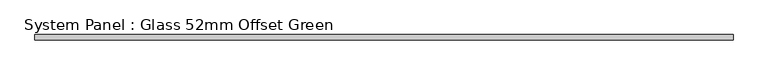
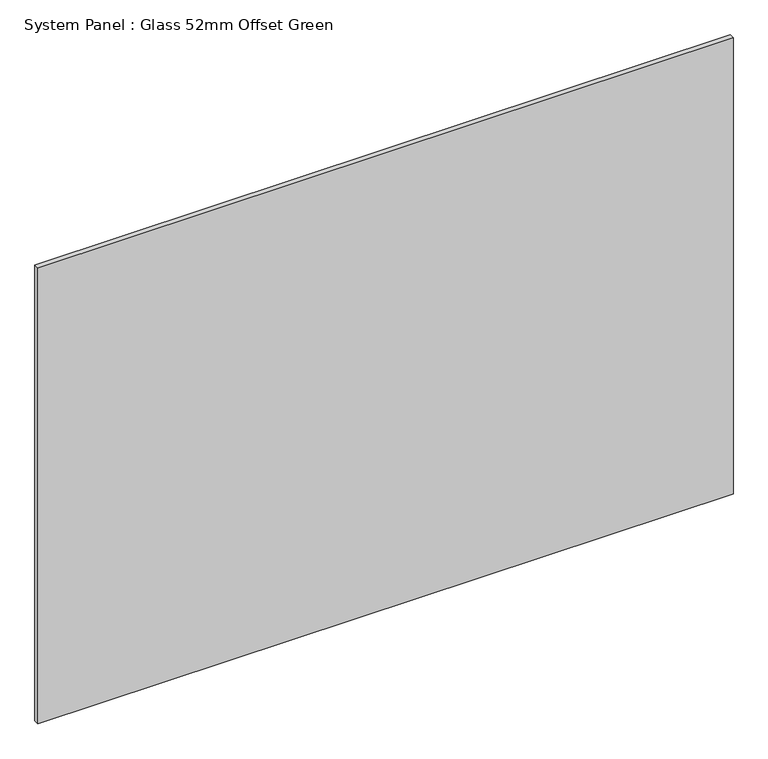
"""IFC4 building model written with IfcOpenShell, lengths in millimetres: plate geometry, System Panel : Glass 52mm Offset Green."""

from ifc_helpers import new_model, si_unit, origin, origin_with_axes, place, context, project, spatial, polyline, outline, extrude, source, transform, mapped, element, save


def system_panel_glass_52mm_offset_green_2ed57e07(model_context):
    return source(origin(), model_context, "Body", "SweptSolid", [
        extrude(outline(polyline([(663.9166667, -57.0), (-663.9166667, -57.0), (-663.9166667, -47.0), (663.9166667, -47.0), (663.9166667, -57.0)])), origin_with_axes(), (0.0, 0.0, 1.0), 921.5045338),
    ])


if __name__ == "__main__":
    model = new_model("IFC4")
    model_context = context("Model", 3, world=origin())
    ifc_project = project(units=[si_unit("LENGTHUNIT", "METRE", prefix="MILLI")], contexts=[model_context])
    site = spatial("IfcSite", under=ifc_project)
    building = spatial("IfcBuilding", under=site)
    placement = place(None, origin())
    system_panel_glass_52mm_offset_green_shape = system_panel_glass_52mm_offset_green_2ed57e07(model_context)
    element("IfcPlate", 1, ObjectType="System Panel : Glass 52mm Offset Green", at=placement, inside=building, context=model_context, shape_type="MappedRepresentation", body=[
        mapped(system_panel_glass_52mm_offset_green_shape, transform((0.0, 0.0, 0.0), x_axis=(1.0, 0.0, 0.0), y_axis=(0.0, 1.0, 0.0), z_axis=(0.0, 0.0, 1.0))),
    ])
    save(model, "model.ifc")
